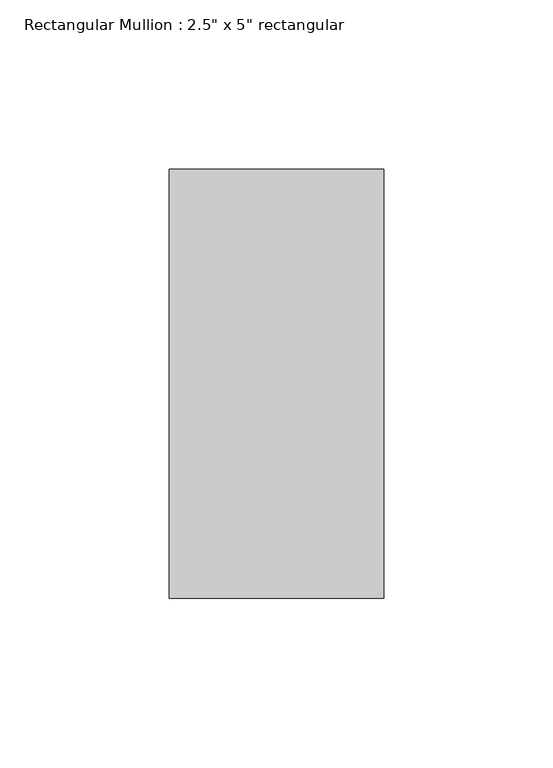
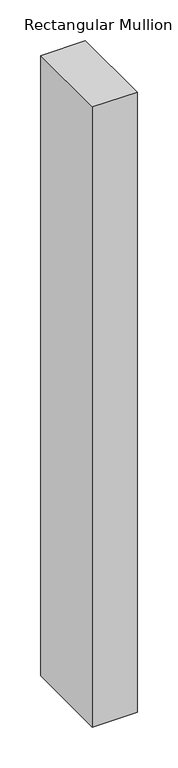
"""IFC4 building model written with IfcOpenShell, lengths in millimetres: member geometry."""

from ifc_helpers import new_model, si_unit, frame, origin, place, context, project, spatial, polyline, outline, extrude, source, transform, mapped, element, save


def member_381611dd(model_context):
    return source(origin(), model_context, "Body", "SweptSolid", [
        extrude(outline(polyline([(0.0, 63.5), (0.0, -63.5), (-63.5, -63.5), (-63.5, 63.5), (0.0, 63.5)])), frame((0.0, 0.0, -930.6637833), z_axis=(0.0, 0.0, 1.0), x_axis=(1.0, 0.0, 0.0)), (0.0, 0.0, 1.0), 930.6637833),
    ])


if __name__ == "__main__":
    model = new_model("IFC4")
    model_context = context("Model", 3, world=origin())
    ifc_project = project(units=[si_unit("LENGTHUNIT", "METRE", prefix="MILLI")], contexts=[model_context])
    site = spatial("IfcSite", under=ifc_project)
    building = spatial("IfcBuilding", under=site)
    placement = place(None, origin())
    member_shape = member_381611dd(model_context)
    element("IfcMember", 1, ObjectType="Rectangular Mullion : 2.5\" x 5\" rectangular", at=placement, inside=building, context=model_context, shape_type="MappedRepresentation", body=[
        mapped(member_shape, transform((0.0, 0.0, 0.0), x_axis=(1.0, 0.0, 0.0), y_axis=(0.0, 1.0, 0.0), z_axis=(0.0, 0.0, 1.0))),
    ])
    save(model, "model.ifc")
